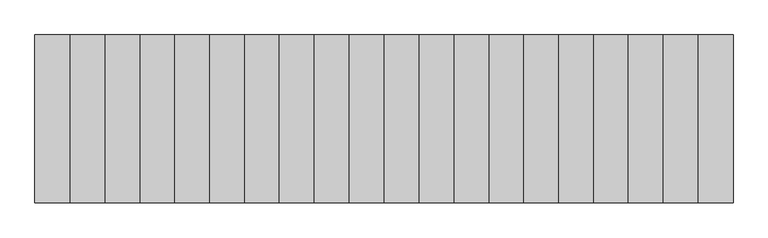
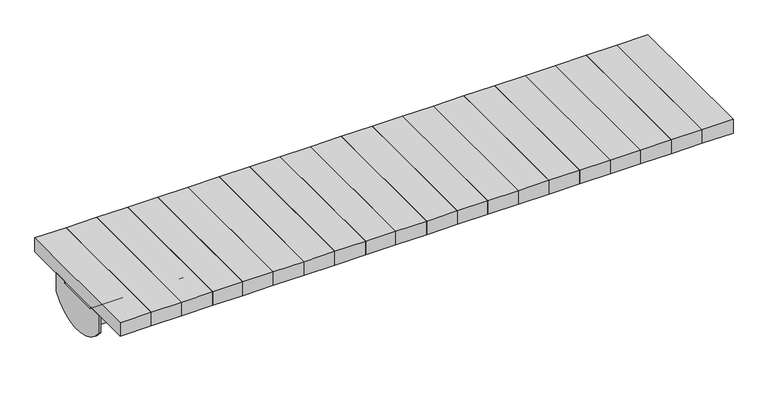
"""IFC4 building model written with IfcOpenShell, lengths in millimetres: furniture geometry."""

from ifc_helpers import new_model, si_unit, frame, origin, place, context, project, spatial, polyline, circle_curve, outline, extrude, source, transform, mapped, element, save
from ifc_brep_helpers import plane_surface, cylinder_surface, revolved_surface, advanced_brep


def furniture_4057477d(model_context):
    return source(origin(), model_context, "Body", "SolidModel", [
        advanced_brep(
        [(-438.9493478, 55.5135142, 364.1867082), (-438.9493478, 60.5135142, 364.1867082), (-473.9493478, 60.513034, 364.1867082), (-473.9493478, 55.5135142, 364.1867082), (438.9493478, 55.5135142, 364.1867082), (438.9493478, 60.5135142, 364.1867082), (473.9493478, 60.513034, 364.1867082), (473.9493478, 55.5135142, 364.1867082), (826.379425, 60.513034, 394.6382749), (826.379425, 61.513034, 395.6382749), (826.379425, 62.4997599, 395.6382749), (826.379425, 62.4997599, 400.6382749), (826.379425, 61.513034, 400.6382749), (826.379425, 55.513034, 394.6382749), (826.379425, 55.513034, 393.1147491), (826.379425, 60.513034, 393.1147491), (-826.379425, 55.513034, 394.6382749), (-826.379425, 61.513034, 400.6382749), (-826.379425, 62.4997599, 400.6382749), (-826.379425, 62.4997599, 395.6382749), (-826.379425, 61.513034, 395.6382749), (-826.379425, 60.513034, 394.6382749), (-826.379425, 60.513034, 393.1147491), (-826.379425, 55.513034, 393.1147491), (826.379425, 55.513034, 340.151549), (-826.379425, 55.513034, 340.151549), (-826.379425, 60.513034, 340.151549), (826.379425, 60.513034, 340.151549), (831.379425, 62.4997599, 400.6382749), (831.379425, 99.9997599, 400.6382749), (-831.379425, 99.9997599, 400.6382749), (-831.379425, 62.4997599, 400.6382749), (-826.379425, 99.9997599, 395.6382749), (826.379425, 99.9997599, 395.6382749), (-826.379425, 62.4997599, 393.1147491), (-826.379425, -55.513034, 393.1147491), (-826.379425, -55.513034, 340.151549), (-826.379425, -60.513034, 340.151549), (-826.379425, -60.513034, 393.1147491), (-826.379425, -62.4997599, 393.1147491), (-826.379425, -62.4997599, 395.6382749), (-826.379425, -99.9997599, 395.6382749), (-826.379425, -99.9997599, 347.7588499), (-826.379425, 100.0002401, 347.7588499), (-831.379425, 100.0002401, 347.7588499), (-831.379425, -99.9997599, 347.7588499), (-831.379425, -99.9997599, 400.6382749), (-831.379425, -62.4997599, 400.6382749), (-831.379425, -62.4997599, 393.1147491), (-831.379425, 62.4997599, 393.1147491), (831.379425, 100.0002401, 347.7588499), (826.379425, 100.0002401, 347.7588499), (826.379425, -99.9997599, 395.6382749), (826.379425, -99.9997599, 347.7588499), (831.379425, -99.9997599, 347.7588499), (831.379425, -99.9997599, 400.6382749), (-826.379425, -62.4997599, 400.6382749), (831.379425, -62.4997599, 400.6382749), (831.379425, -62.4997599, 393.1147491), (826.379425, -62.4997599, 393.1147491), (826.379425, -62.4997599, 395.6382749), (826.379425, -62.4997599, 400.6382749), (826.379425, -61.513034, 400.6382749), (-826.379425, -61.513034, 400.6382749), (-826.379425, -61.513034, 395.6382749), (826.379425, -61.513034, 395.6382749), (826.379425, -60.513034, 393.1147491), (826.379425, -60.513034, 340.151549), (826.379425, -55.513034, 340.151549), (826.379425, -55.513034, 393.1147491), (826.379425, 62.4997599, 393.1147491), (831.379425, 62.4997599, 393.1147491), (826.379425, -55.513034, 394.6382749), (826.379425, -60.513034, 394.6382749), (-826.379425, -60.513034, 394.6382749), (-826.379425, -55.513034, 394.6382749)],
        [
            (0, 1),
            (1, 2, circle_curve(frame((-456.4493478, 60.513034, 364.1867082), z_axis=(0.0, 1.0, 0.0), x_axis=(1.0, 0.0, 0.0)), 17.5)),
            (2, 3),
            (3, 0, circle_curve(frame((-456.4493478, 55.513034, 364.1867082), z_axis=(0.0, -1.0, 0.0), x_axis=(1.0, 0.0, 0.0)), 17.5)),
            (0, 3, circle_curve(frame((-456.4493478, 55.513034, 364.1867082), z_axis=(0.0, -1.0, 0.0), x_axis=(1.0, 0.0, 0.0)), 17.5)),
            (2, 1, circle_curve(frame((-456.4493478, 60.513034, 364.1867082), z_axis=(0.0, 1.0, 0.0), x_axis=(1.0, 0.0, 0.0)), 17.5)),
            (4, 5),
            (5, 6, circle_curve(frame((456.4493478, 60.513034, 364.1867082), z_axis=(0.0, 1.0, 0.0), x_axis=(-1.0, 0.0, 0.0)), 17.5)),
            (6, 7),
            (7, 4, circle_curve(frame((456.4493478, 55.513034, 364.1867082), z_axis=(0.0, -1.0, 0.0), x_axis=(-1.0, 0.0, 0.0)), 17.5)),
            (4, 7, circle_curve(frame((456.4493478, 55.513034, 364.1867082), z_axis=(0.0, -1.0, 0.0), x_axis=(-1.0, 0.0, 0.0)), 17.5)),
            (6, 5, circle_curve(frame((456.4493478, 60.513034, 364.1867082), z_axis=(0.0, 1.0, 0.0), x_axis=(-1.0, 0.0, 0.0)), 17.5)),
            (8, 9, circle_curve(frame((826.379425, 61.513034, 394.6382749), z_axis=(-1.0, 0.0, 0.0), x_axis=(0.0, 1.0, 0.0)), 1.0)),
            (9, 10),
            (10, 11),
            (11, 12),
            (12, 13, circle_curve(frame((826.379425, 61.513034, 394.6382749), z_axis=(1.0, 0.0, 0.0), x_axis=(0.0, 1.0, 0.0)), 6.0)),
            (13, 14),
            (14, 15),
            (15, 8),
            (16, 17, circle_curve(frame((-826.379425, 61.513034, 394.6382749), z_axis=(-1.0, 0.0, 0.0), x_axis=(0.0, 1.0, 0.0)), 6.0)),
            (17, 18),
            (18, 19),
            (19, 20),
            (20, 21, circle_curve(frame((-826.379425, 61.513034, 394.6382749), z_axis=(1.0, 0.0, 0.0), x_axis=(0.0, 1.0, 0.0)), 1.0)),
            (21, 22),
            (22, 23),
            (23, 16),
            (24, 25),
            (25, 26),
            (26, 27),
            (27, 24),
            (24, 14),
            (13, 16),
            (23, 25),
            (12, 17),
            (11, 28),
            (28, 29),
            (29, 30),
            (30, 31),
            (31, 18),
            (9, 20),
            (19, 32),
            (32, 33),
            (33, 10),
            (8, 21),
            (26, 22),
            (15, 27),
            (19, 34),
            (34, 22),
            (23, 35),
            (35, 36),
            (36, 37),
            (37, 38),
            (38, 39),
            (39, 40),
            (40, 41),
            (41, 42),
            (42, 43, circle_curve(frame((-826.379425, 0.0002401, 421.080061), z_axis=(1.0, 0.0, 0.0), x_axis=(0.0, -0.8064516129032312, -0.5913000896717141)), 124.0)),
            (43, 32),
            (44, 45, circle_curve(frame((-831.379425, 0.0002401, 421.080061), z_axis=(-1.0, 0.0, 0.0), x_axis=(0.0, -0.8064516129032312, -0.5913000896717141)), 124.0)),
            (45, 46),
            (46, 47),
            (47, 48),
            (48, 49),
            (49, 31),
            (30, 44),
            (43, 44),
            (29, 50),
            (50, 51),
            (51, 33),
            (34, 49),
            (48, 39),
            (38, 35),
            (45, 42),
            (41, 52),
            (52, 53),
            (53, 54),
            (54, 55),
            (55, 46),
            (47, 56),
            (56, 40),
            (57, 58),
            (58, 59),
            (59, 60),
            (60, 61),
            (61, 57),
            (55, 57),
            (61, 62),
            (62, 63),
            (63, 56),
            (40, 64),
            (64, 65),
            (65, 60),
            (60, 52),
            (59, 66),
            (66, 67),
            (67, 68),
            (68, 69),
            (69, 14),
            (15, 70),
            (70, 10),
            (51, 53, circle_curve(frame((826.379425, 0.0002401, 421.080061), z_axis=(-1.0, 0.0, 0.0), x_axis=(0.0, -0.8064516129032312, -0.5913000896717141)), 124.0)),
            (54, 50, circle_curve(frame((831.379425, 0.0002401, 421.080061), z_axis=(1.0, 0.0, 0.0), x_axis=(0.0, -0.8064516129032312, -0.5913000896717141)), 124.0)),
            (28, 71),
            (71, 58),
            (72, 62, circle_curve(frame((826.379425, -61.513034, 394.6382749), z_axis=(1.0, 0.0, 0.0), x_axis=(0.0, -1.0, 0.0)), 6.0)),
            (65, 73, circle_curve(frame((826.379425, -61.513034, 394.6382749), z_axis=(-1.0, 0.0, 0.0), x_axis=(0.0, -1.0, 0.0)), 1.0)),
            (73, 66),
            (66, 69),
            (69, 72),
            (74, 64, circle_curve(frame((-826.379425, -61.513034, 394.6382749), z_axis=(1.0, 0.0, 0.0), x_axis=(0.0, -1.0, 0.0)), 1.0)),
            (63, 75, circle_curve(frame((-826.379425, -61.513034, 394.6382749), z_axis=(-1.0, 0.0, 0.0), x_axis=(0.0, -1.0, 0.0)), 6.0)),
            (75, 35),
            (38, 74),
            (67, 37),
            (36, 68),
            (75, 72),
            (74, 73),
            (71, 70),
        ],
        [
            revolved_surface(polyline([(-438.9493478, 55.513034, 364.1867082), (-438.9493478, 60.5135142, 364.1867082)]), (-456.4493478, 60.5135142, 364.1867082), (0.0, -1.0, 0.0)),
            revolved_surface(polyline([(438.9493478, 55.513034, 364.1867082), (438.9493478, 60.5135142, 364.1867082)]), (456.4493478, 0.0, 364.1867082), (0.0, -1.0, 0.0)),
            plane_surface(frame((826.379425, 60.513034, 394.6382749), z_axis=(1.0, 0.0, 0.0), x_axis=(0.0, 0.0, 1.0))),
            plane_surface(frame((-826.379425, 60.513034, 394.6382749), z_axis=(-1.0, 0.0, 0.0), x_axis=(0.0, 0.0, -1.0))),
            plane_surface(frame((826.379425, 55.513034, 340.151549), z_axis=(0.0, 0.0, -1.0), x_axis=(-1.0, 0.0, 0.0))),
            plane_surface(frame((826.379425, 55.513034, 394.6382749), z_axis=(0.0, -1.0, 0.0), x_axis=(-1.0, 0.0, 0.0))),
            cylinder_surface(frame((-826.379425, 61.513034, 394.6382749), z_axis=(1.0, 0.0, 0.0), x_axis=(0.0, 1.0, 0.0)), 6.0),
            plane_surface(frame((826.379425, 62.4997599, 400.6382749), z_axis=(0.0, 0.0, 1.0), x_axis=(-1.0, 0.0, 0.0))),
            plane_surface(frame((826.379425, 61.513034, 395.6382749), z_axis=(0.0, 0.0, -1.0), x_axis=(-1.0, 0.0, 0.0))),
            revolved_surface(polyline([(-826.379425, 62.513034, 394.6382749), (826.379425, 62.513034, 394.6382749)]), (-826.379425, 61.513034, 394.6382749), (-1.0, 0.0, 0.0)),
            plane_surface(frame((826.379425, 60.513034, 340.151549), z_axis=(0.0, 1.0, 0.0), x_axis=(-1.0, 0.0, 0.0))),
            plane_surface(frame((-826.379425, 100.0002401, 347.7588499), z_axis=(1.0, 0.0, 0.0), x_axis=(0.0, 0.0, 1.0))),
            plane_surface(frame((-831.379425, 100.0002401, 347.7588499), z_axis=(-1.0, 0.0, 0.0), x_axis=(0.0, 0.0, -1.0))),
            plane_surface(frame((-826.379425, 100.0002401, 347.7588499), z_axis=(0.0, 1.0, 0.0), x_axis=(-1.0, 0.0, 0.0))),
            plane_surface(frame((-826.379425, 100.0002401, 393.1147491), z_axis=(0.0, 0.0, 1.0), x_axis=(-1.0, 0.0, 0.0))),
            plane_surface(frame((-826.379425, -99.9997599, 393.1147491), z_axis=(0.0, -1.0, 0.0), x_axis=(-1.0, 0.0, 0.0))),
            cylinder_surface(frame((-831.379425, 0.0002401, 421.080061), z_axis=(1.0000000000000002, 0.0, 0.0), x_axis=(0.0, -0.8064516129032312, -0.5913000896717141)), 124.0),
            plane_surface(frame((826.379425, -62.4997599, 393.1147491), z_axis=(0.0, 1.0, 0.0), x_axis=(0.0, 0.0, 1.0))),
            plane_surface(frame((831.379425, -99.9997599, 400.6382749), z_axis=(0.0, 0.0, 1.0), x_axis=(0.0, 1.0, 0.0))),
            plane_surface(frame((-826.379425, -99.9997599, 395.6382749), z_axis=(0.0, 0.0, -1.0), x_axis=(0.0, 1.0, 0.0))),
            plane_surface(frame((826.379425, -99.9997599, 395.6382749), z_axis=(-1.0, 0.0, 0.0), x_axis=(0.0, 1.0, 0.0))),
            plane_surface(frame((831.379425, -99.9997599, 393.1147491), z_axis=(1.0, 0.0, 0.0), x_axis=(0.0, 1.0, 0.0))),
            plane_surface(frame((826.379425, -60.513034, 340.151549), z_axis=(1.0, 0.0, 0.0), x_axis=(0.0, 1.0, 0.0))),
            plane_surface(frame((-826.379425, -60.513034, 340.151549), z_axis=(-1.0, 0.0, 0.0), x_axis=(0.0, -1.0, 0.0))),
            plane_surface(frame((826.379425, -60.513034, 340.151549), z_axis=(0.0, 0.0, -1.0), x_axis=(-1.0, 0.0, 0.0))),
            plane_surface(frame((826.379425, -55.513034, 340.151549), z_axis=(0.0, 1.0, 0.0), x_axis=(-1.0, 0.0, 0.0))),
            cylinder_surface(frame((-826.379425, -61.513034, 394.6382749), z_axis=(1.0, 0.0, 0.0), x_axis=(0.0, -1.0, 0.0)), 6.0),
            revolved_surface(polyline([(-826.379425, -62.513034, 394.6382749), (826.379425, -62.513034, 394.6382749)]), (-826.379425, -61.513034, 394.6382749), (-1.0, 0.0, 0.0)),
            plane_surface(frame((826.379425, -60.513034, 394.6382749), z_axis=(0.0, -1.0, 0.0), x_axis=(-1.0, 0.0, 0.0))),
            plane_surface(frame((826.379425, -99.9997599, 393.1147491), z_axis=(0.0, 0.0, 1.0), x_axis=(1.0, 0.0, 0.0))),
            cylinder_surface(frame((831.379425, 0.0002401, 421.080061), z_axis=(-1.0000000000000002, 0.0, 0.0), x_axis=(0.0, -0.8064516129032312, -0.5913000896717141)), 124.0),
            plane_surface(frame((-825.879425, 62.4997599, 395.6382749), z_axis=(0.0, -1.0, 0.0), x_axis=(1.0, 0.0, 0.0))),
        ],
        [
            (0, [[1, 2, 3, 4]]),
            (0, [[-1, 5, -3, 6]]),
            (1, [[7, 8, 9, 10]]),
            (1, [[-7, 11, -9, 12]]),
            (2, [[13, 14, 15, 16, 17, 18, 19, 20]]),
            (3, [[21, 22, 23, 24, 25, 26, 27, 28]]),
            (4, [[29, 30, 31, 32]]),
            (5, [[-29, 33, -18, 34, -28, 35], [-4, -5], [-10, -11]]),
            (6, [[-17, 36, -21, -34]]),
            (7, [[-16, 37, 38, 39, 40, 41, -22, -36]]),
            (8, [[-14, 42, -24, 43, 44, 45]]),
            (9, [[-13, 46, -25, -42]]),
            (10, [[-31, 47, -26, -46, -20, 48], [-2, -6], [-8, -12]]),
            (11, [[-43, 49, 50, -47, -30, -35, 51, 52, 53, 54, 55, 56, 57, 58, 59, 60]]),
            (12, [[61, 62, 63, 64, 65, 66, -40, 67]]),
            (13, [[-60, 68, -67, -39, 69, 70, 71, -44]]),
            (14, [[-27, -50, 72, -65, 73, -55, 74, -51]]),
            (15, [[75, -58, 76, 77, 78, 79, 80, -62]]),
            (16, [[-59, -75, -61, -68]]),
            (17, [[-56, -73, -64, 81, 82]]),
            (17, [[83, 84, 85, 86, 87]]),
            (18, [[-80, 88, -87, 89, 90, 91, -81, -63]]),
            (19, [[-76, -57, 92, 93, 94, 95]]),
            (20, [[-85, 96, 97, 98, 99, 100, -33, -32, -48, 101, 102, -45, -71, 103, -77, -95]]),
            (21, [[-83, -88, -79, 104, -69, -38, 105, 106]]),
            (22, [[107, -89, -86, -94, 108, 109, 110, 111]]),
            (23, [[112, -92, -82, -91, 113, 114, -74, 115]]),
            (24, [[116, -53, 117, -98]]),
            (25, [[-117, -52, -114, 118, -111, -99]]),
            (26, [[-107, -118, -113, -90]]),
            (27, [[-108, -93, -112, 119]]),
            (28, [[-116, -97, -109, -119, -115, -54]]),
            (29, [[-100, -110, -96, -84, -106, 120, -101, -19]]),
            (30, [[-103, -70, -104, -78]]),
            (31, [[-66, -72, -49, -23, -41]]),
            (31, [[-102, -120, -105, -37, -15]]),
        ],
    ),
        extrude(outline(polyline([(83.1700951, -200.0), (0.0, -200.0), (0.0, 200.0), (83.1700951, 200.0), (83.1700951, -200.0)])), frame((0.0, 0.0, 400.6382749), z_axis=(0.0, 0.0, 1.0), x_axis=(1.0, 0.0, 0.0)), (0.0, 0.0, 1.0), 39.120575),
        extrude(outline(polyline([(165.5884938, -200.0), (83.1700951, -200.0), (83.1700951, 200.0), (165.5884938, 200.0), (165.5884938, -200.0)])), frame((0.0, 0.0, 400.6382749), z_axis=(0.0, 0.0, 1.0), x_axis=(1.0, 0.0, 0.0)), (0.0, 0.0, 1.0), 39.120575),
        extrude(outline(polyline([(249.0266735, -200.0), (165.5884938, -200.0), (165.5884938, 200.0), (249.0266735, 200.0), (249.0266735, -200.0)])), frame((0.0, 0.0, 400.6382749), z_axis=(0.0, 0.0, 1.0), x_axis=(1.0, 0.0, 0.0)), (0.0, 0.0, 1.0), 39.120575),
        extrude(outline(polyline([(331.8102592, -200.0), (249.0266735, -200.0), (249.0266735, 200.0), (331.8102592, 200.0), (331.8102592, -200.0)])), frame((0.0, 0.0, 400.6382749), z_axis=(0.0, 0.0, 1.0), x_axis=(1.0, 0.0, 0.0)), (0.0, 0.0, 1.0), 39.120575),
        extrude(outline(polyline([(415.2051572, -200.0), (331.8102592, -200.0), (331.8102592, 200.0), (415.2051572, 200.0), (415.2051572, -200.0)])), frame((0.0, 0.0, 400.6382749), z_axis=(0.0, 0.0, 1.0), x_axis=(1.0, 0.0, 0.0)), (0.0, 0.0, 1.0), 39.120575),
        extrude(outline(polyline([(498.7851293, -200.0), (415.2051572, -200.0), (415.2051572, 200.0), (498.7851293, 200.0), (498.7851293, -200.0)])), frame((0.0, 0.0, 400.6382749), z_axis=(0.0, 0.0, 1.0), x_axis=(1.0, 0.0, 0.0)), (0.0, 0.0, 1.0), 39.120575),
        extrude(outline(polyline([(580.2051572, -200.0), (498.7851293, -200.0), (498.7851293, 200.0), (580.2051572, 200.0), (580.2051572, -200.0)])), frame((0.0, 0.0, 400.6382749), z_axis=(0.0, 0.0, 1.0), x_axis=(1.0, 0.0, 0.0)), (0.0, 0.0, 1.0), 39.120575),
        extrude(outline(polyline([(663.7851293, -200.0), (580.2051572, -200.0), (580.2051572, 200.0), (663.7851293, 200.0), (663.7851293, -200.0)])), frame((0.0, 0.0, 400.6382749), z_axis=(0.0, 0.0, 1.0), x_axis=(1.0, 0.0, 0.0)), (0.0, 0.0, 1.0), 39.120575),
        extrude(outline(polyline([(746.8041619, -200.0), (663.7851293, -200.0), (663.7851293, 200.0), (746.8041619, 200.0), (746.8041619, -200.0)])), frame((0.0, 0.0, 400.6382749), z_axis=(0.0, 0.0, 1.0), x_axis=(1.0, 0.0, 0.0)), (0.0, 0.0, 1.0), 39.120575),
        extrude(outline(polyline([(831.379425, -200.0), (746.8041619, -200.0), (746.8041619, 200.0), (831.379425, 200.0), (831.379425, -200.0)])), frame((0.0, 0.0, 400.6382749), z_axis=(0.0, 0.0, 1.0), x_axis=(1.0, 0.0, 0.0)), (0.0, 0.0, 1.0), 39.120575),
        extrude(outline(polyline([(0.0, -200.0), (-83.1700951, -200.0), (-83.1700951, 200.0), (0.0, 200.0), (0.0, -200.0)])), frame((0.0, 0.0, 400.6382749), z_axis=(0.0, 0.0, 1.0), x_axis=(1.0, 0.0, 0.0)), (0.0, 0.0, 1.0), 39.120575),
        extrude(outline(polyline([(-83.1700951, -200.0), (-165.5884938, -200.0), (-165.5884938, 200.0), (-83.1700951, 200.0), (-83.1700951, -200.0)])), frame((0.0, 0.0, 400.6382749), z_axis=(0.0, 0.0, 1.0), x_axis=(1.0, 0.0, 0.0)), (0.0, 0.0, 1.0), 39.120575),
        extrude(outline(polyline([(-165.5884938, -200.0), (-249.0266735, -200.0), (-249.0266735, 200.0), (-165.5884938, 200.0), (-165.5884938, -200.0)])), frame((0.0, 0.0, 400.6382749), z_axis=(0.0, 0.0, 1.0), x_axis=(1.0, 0.0, 0.0)), (0.0, 0.0, 1.0), 39.120575),
        extrude(outline(polyline([(-249.0266735, -200.0), (-331.8102592, -200.0), (-331.8102592, 200.0), (-249.0266735, 200.0), (-249.0266735, -200.0)])), frame((0.0, 0.0, 400.6382749), z_axis=(0.0, 0.0, 1.0), x_axis=(1.0, 0.0, 0.0)), (0.0, 0.0, 1.0), 39.120575),
        extrude(outline(polyline([(-331.8102592, -200.0), (-415.2051572, -200.0), (-415.2051572, 200.0), (-331.8102592, 200.0), (-331.8102592, -200.0)])), frame((0.0, 0.0, 400.6382749), z_axis=(0.0, 0.0, 1.0), x_axis=(1.0, 0.0, 0.0)), (0.0, 0.0, 1.0), 39.120575),
        extrude(outline(polyline([(-415.2051572, -200.0), (-498.7851293, -200.0), (-498.7851293, 200.0), (-415.2051572, 200.0), (-415.2051572, -200.0)])), frame((0.0, 0.0, 400.6382749), z_axis=(0.0, 0.0, 1.0), x_axis=(1.0, 0.0, 0.0)), (0.0, 0.0, 1.0), 39.120575),
        extrude(outline(polyline([(-498.7851293, -200.0), (-580.2051572, -200.0), (-580.2051572, 200.0), (-498.7851293, 200.0), (-498.7851293, -200.0)])), frame((0.0, 0.0, 400.6382749), z_axis=(0.0, 0.0, 1.0), x_axis=(1.0, 0.0, 0.0)), (0.0, 0.0, 1.0), 39.120575),
        extrude(outline(polyline([(-580.2051572, -200.0), (-663.7851293, -200.0), (-663.7851293, 200.0), (-580.2051572, 200.0), (-580.2051572, -200.0)])), frame((0.0, 0.0, 400.6382749), z_axis=(0.0, 0.0, 1.0), x_axis=(1.0, 0.0, 0.0)), (0.0, 0.0, 1.0), 39.120575),
        extrude(outline(polyline([(-663.7851293, -200.0), (-746.8041619, -200.0), (-746.8041619, 200.0), (-663.7851293, 200.0), (-663.7851293, -200.0)])), frame((0.0, 0.0, 400.6382749), z_axis=(0.0, 0.0, 1.0), x_axis=(1.0, 0.0, 0.0)), (0.0, 0.0, 1.0), 39.120575),
        extrude(outline(polyline([(-746.8041619, -200.0), (-831.379425, -200.0), (-831.379425, 200.0), (-746.8041619, 200.0), (-746.8041619, -200.0)])), frame((0.0, 0.0, 400.6382749), z_axis=(0.0, 0.0, 1.0), x_axis=(1.0, 0.0, 0.0)), (0.0, 0.0, 1.0), 39.120575),
    ])


if __name__ == "__main__":
    model = new_model("IFC4")
    model_context = context("Model", 3, world=origin())
    ifc_project = project(units=[si_unit("LENGTHUNIT", "METRE", prefix="MILLI")], contexts=[model_context])
    site = spatial("IfcSite", under=ifc_project)
    building = spatial("IfcBuilding", under=site)
    placement = place(None, origin())
    furniture_shape = furniture_4057477d(model_context)
    element("IfcFurniture", 1, at=placement, inside=building, context=model_context, shape_type="MappedRepresentation", body=[
        mapped(furniture_shape, transform((0.0, 0.0, 0.0), x_axis=(1.0, 0.0, 0.0), y_axis=(0.0, 1.0, 0.0), z_axis=(0.0, 0.0, 1.0))),
    ])
    save(model, "model.ifc")
